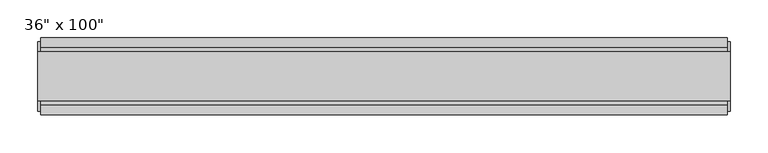
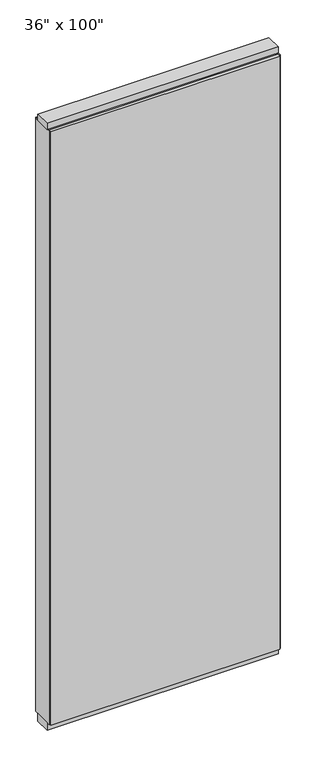
"""IFC4 building model written with IfcOpenShell, lengths in millimetres: furniture geometry."""

import ifcopenshell
import ifcopenshell.guid

model = None  # the IFC model being written
_history = None  # IfcOwnerHistory: only IFC2X3 demands one
_inside = {}  # id of a spatial element -> (the spatial element, [elements in it])
_under = {}  # id of a project, library or spatial element -> (it, [spatial elements below it])
_declared = {}  # id of a project -> (the project, [libraries it declares])
_typed = {}  # id of a type object -> (the type object, [elements of that type])
_made_of = {}  # id of a material, layer set ... -> (it, [elements and type objects made of it])


def new_model(schema):
    """Start an empty IFC model of exactly this schema.

    Asked for "IFC4X3", IfcOpenShell would pick the latest addendum, in which some entities
    have other attributes; the version numbers below select the first issue.
    IFC2X3 requires an IfcOwnerHistory on every rooted entity: one is made here for all.
    """
    global model, _history
    if schema == "IFC4X3":
        model = ifcopenshell.file(schema_version=(4, 3, 0, 0))
    else:
        model = ifcopenshell.file(schema=schema)
    _inside.clear()
    _under.clear()
    _declared.clear()
    _typed.clear()
    _made_of.clear()
    _history = None
    if model.schema == "IFC2X3":
        org = make("IfcOrganization", Name="unknown")
        user = make(
            "IfcPersonAndOrganization",
            ThePerson=make("IfcPerson", FamilyName="unknown"),
            TheOrganization=org,
        )
        app = make(
            "IfcApplication",
            ApplicationDeveloper=org,
            Version="unknown",
            ApplicationFullName="unknown",
            ApplicationIdentifier="unknown",
        )
        _history = make(
            "IfcOwnerHistory",
            OwningUser=user,
            OwningApplication=app,
            ChangeAction="ADDED",
            CreationDate=0,
        )
    return model


def make(cls, **values):
    """One entity of the class cls with the attributes given. An attribute that is None is left unset."""
    return model.create_entity(
        cls, **{name: value for name, value in values.items() if value is not None}
    )


def rooted(cls, **values):
    """An entity with a GlobalId (a new one), such as an element, a storey or a relation."""
    return make(cls, GlobalId=ifcopenshell.guid.new(), OwnerHistory=_history, **values)


def si_unit(unit_type, name, prefix=None):
    """IfcSIUnit, for example si_unit("LENGTHUNIT", "METRE", prefix="MILLI")."""
    return make("IfcSIUnit", UnitType=unit_type, Prefix=prefix, Name=name)


def assignment(units):
    """IfcUnitAssignment: the units of a project."""
    return None if units is None else make("IfcUnitAssignment", Units=units)


def point(xyz):
    """IfcCartesianPoint."""
    return None if xyz is None else make("IfcCartesianPoint", Coordinates=xyz)


def direction(xyz):
    """IfcDirection."""
    return None if xyz is None else make("IfcDirection", DirectionRatios=xyz)


def frame(location, z_axis=None, x_axis=None):
    """IfcAxis2Placement3D, a coordinate frame: its origin and axes. An axis left out is left unset."""
    return make(
        "IfcAxis2Placement3D",
        Location=point(location),
        Axis=direction(z_axis),
        RefDirection=direction(x_axis),
    )


def origin():
    """The frame at (0, 0, 0) with its axes left unset."""
    return frame((0.0, 0.0, 0.0))


def origin_with_axes():
    """The frame at (0, 0, 0) with the z axis (0, 0, 1) and the x axis (1, 0, 0) written out."""
    return frame((0.0, 0.0, 0.0), z_axis=(0.0, 0.0, 1.0), x_axis=(1.0, 0.0, 0.0))


def place(relative_to, where):
    """IfcLocalPlacement: puts the frame where relative to a parent placement (None: the world)."""
    return make(
        "IfcLocalPlacement", PlacementRelTo=relative_to, RelativePlacement=where
    )


def context(
    kind, dimensions, precision=None, world=None, true_north=None, identifier=None
):
    """IfcGeometricRepresentationContext, for example the 3D "Model" context."""
    return make(
        "IfcGeometricRepresentationContext",
        ContextIdentifier=identifier,
        ContextType=kind,
        CoordinateSpaceDimension=dimensions,
        Precision=precision,
        WorldCoordinateSystem=world,
        TrueNorth=true_north,
    )


def project(units=None, contexts=None):
    """IfcProject with its units and contexts."""
    return rooted(
        "IfcProject",
        Name="project",
        RepresentationContexts=contexts,
        UnitsInContext=assignment(units),
    )


def spatial(cls, under=None, at=None, **own):
    """A site, building, storey or space (cls), placed at a placement, below another one or the project."""
    s = rooted(cls, ObjectPlacement=at, **own)
    if under is not None:
        _under.setdefault(under.id(), (under, []))[1].append(s)
    return s


def polyline(points):
    """IfcPolyline through the points."""
    return make("IfcPolyline", Points=[point(p) for p in points])


def outline(outer, holes=None, kind="AREA"):
    """IfcArbitraryClosedProfileDef: a profile drawn as a closed curve; with holes, ...WithVoids."""
    if holes is None:
        return make("IfcArbitraryClosedProfileDef", ProfileType=kind, OuterCurve=outer)
    return make(
        "IfcArbitraryProfileDefWithVoids",
        ProfileType=kind,
        OuterCurve=outer,
        InnerCurves=holes,
    )


def extrude(swept, where, along, depth):
    """IfcExtrudedAreaSolid: the profile swept, set in the frame where, extruded along a direction by depth."""
    return make(
        "IfcExtrudedAreaSolid",
        SweptArea=swept,
        Position=where,
        ExtrudedDirection=direction(along),
        Depth=depth,
    )


def shape(context_of_items, identifier, shape_type, items):
    """IfcShapeRepresentation: the items that make up one representation, for example the "Body"."""
    return make(
        "IfcShapeRepresentation",
        ContextOfItems=context_of_items,
        RepresentationIdentifier=identifier,
        RepresentationType=shape_type,
        Items=items,
    )


def source(mapping_origin, context_of_items, identifier, shape_type, items):
    """IfcRepresentationMap: a shape defined once, which mapped items show again and again."""
    return make(
        "IfcRepresentationMap",
        MappingOrigin=mapping_origin,
        MappedRepresentation=shape(context_of_items, identifier, shape_type, items),
    )


def transform(
    local_origin,
    x_axis=None,
    y_axis=None,
    z_axis=None,
    scale=None,
    scale2=None,
    scale3=None,
    uniform=True,
):
    """IfcCartesianTransformationOperator3D, or its non-uniform kind. x_axis, y_axis, z_axis: its Axis1, 2, 3."""
    if uniform:
        return make(
            "IfcCartesianTransformationOperator3D",
            Axis1=direction(x_axis),
            Axis2=direction(y_axis),
            LocalOrigin=point(local_origin),
            Scale=scale,
            Axis3=direction(z_axis),
        )
    return make(
        "IfcCartesianTransformationOperator3DnonUniform",
        Axis1=direction(x_axis),
        Axis2=direction(y_axis),
        LocalOrigin=point(local_origin),
        Scale=scale,
        Axis3=direction(z_axis),
        Scale2=scale2,
        Scale3=scale3,
    )


def mapped(mapping_source, mapping_target):
    """IfcMappedItem: shows the shape of a source again, moved by a transform."""
    return make(
        "IfcMappedItem", MappingSource=mapping_source, MappingTarget=mapping_target
    )


def made_of(thing, what):
    """Note that an element or type object is made of a material, layer set ...; save() writes the relation."""
    if what is not None:
        _made_of.setdefault(what.id(), (what, []))[1].append(thing)
    return thing


def element(
    cls,
    number,
    at=None,
    inside=None,
    cuts=None,
    type_object=None,
    material=None,
    context=None,
    identifier="Body",
    shape_type=None,
    held_by="IfcProductDefinitionShape",
    body=None,
    shapes=None,
    **own,
):
    """One element of the class cls, such as IfcWall. Its Tag is "e" and its number.

    at: its placement. inside: the storey or other place that contains it. cuts: it is an
    opening in that element (IfcRelVoidsElement). A single representation is given by context,
    identifier, shape_type and body (its items); several are given by shapes. held_by: the class
    of the entity that holds the representations. save() writes the other relations.
    """
    e = rooted(cls, Tag="e%d" % number, ObjectPlacement=at, **own)
    if body is not None:
        shapes = [shape(context, identifier, shape_type, body)]
    if shapes is not None:
        e.Representation = make(held_by, Representations=shapes)
    if inside is not None:
        _inside.setdefault(inside.id(), (inside, []))[1].append(e)
    if cuts is not None:
        rooted(
            "IfcRelVoidsElement", RelatingBuildingElement=cuts, RelatedOpeningElement=e
        )
    if type_object is not None:
        _typed.setdefault(type_object.id(), (type_object, []))[1].append(e)
    return made_of(e, material)


def aggregate(whole, parts):
    """IfcRelAggregates: a whole, such as a stair, and the parts it consists of."""
    return rooted("IfcRelAggregates", RelatingObject=whole, RelatedObjects=parts)


def save(model, path):
    """Write the relations noted so far, then the file.

    IfcRelAggregates (storeys below a building ...), IfcRelContainedInSpatialStructure (elements
    in a storey), IfcRelDefinesByType, IfcRelAssociatesMaterial and IfcRelDeclares: one each for
    every whole, place, type object, material and project.
    """
    for whole, parts in _under.values():
        aggregate(whole, parts)
    for where, things in _inside.values():
        rooted(
            "IfcRelContainedInSpatialStructure",
            RelatedElements=things,
            RelatingStructure=where,
        )
    for kind, things in _typed.values():
        rooted("IfcRelDefinesByType", RelatedObjects=things, RelatingType=kind)
    for what, things in _made_of.values():
        rooted("IfcRelAssociatesMaterial", RelatedObjects=things, RelatingMaterial=what)
    for by, libraries in _declared.values():
        rooted("IfcRelDeclares", RelatingContext=by, RelatedDefinitions=libraries)
    model.write(path)


def furniture_25698fcb(model_context):
    return source(origin(), model_context, "Body", "SweptSolid", [
        extrude(outline(polyline([(393.2264771, -46.2822784), (-513.2995229, -46.2822784), (-513.2995229, -33.5822784), (393.2264771, -33.5822784), (393.2264771, -46.2822784)])), frame((0.0, 0.0, 31.75), z_axis=(0.0, 0.0, 1.0), x_axis=(1.0, 0.0, 0.0)), (0.0, 0.0, 1.0), 2482.85),
        extrude(outline(polyline([(393.2264771, 55.3177216), (393.2264771, 42.6177216), (-513.2995229, 42.6177216), (-513.2995229, 55.3177216), (393.2264771, 55.3177216)])), frame((0.0, 0.0, 31.75), z_axis=(0.0, 0.0, 1.0), x_axis=(1.0, 0.0, 0.0)), (0.0, 0.0, 1.0), 2482.85),
        extrude(outline(polyline([(42.6177216, 2478.278), (37.6647216, 2478.278), (37.6647216, 2473.325), (-28.6292784, 2473.325), (-28.6292784, 2478.278), (-33.5822784, 2478.278), (-33.5822784, 2514.6), (42.6177216, 2514.6), (42.6177216, 2478.278)])), frame((-513.2995229, 0.0, 0.0), z_axis=(1.0, 0.0, 0.0), x_axis=(0.0, 1.0, 0.0)), (0.0, 0.0, 1.0), 906.526),
        extrude(outline(polyline([(397.1634771, -27.9942784), (-517.2365229, -27.9942784), (-517.2365229, 37.0297216), (397.1634771, 37.0297216), (397.1634771, -27.9942784)])), origin_with_axes(), (0.0, 0.0, 1.0), 31.75),
        extrude(outline(polyline([(-517.2365229, 37.0297216), (397.1634771, 37.0297216), (397.1634771, -27.9942784), (-517.2365229, -27.9942784), (-517.2365229, 37.0297216)])), frame((0.0, 0.0, 2514.6), z_axis=(0.0, 0.0, 1.0), x_axis=(1.0, 0.0, 0.0)), (0.0, 0.0, 1.0), 25.4),
        extrude(outline(polyline([(397.1634771, 50.3647216), (397.1634771, -41.3292784), (393.2264771, -41.3292784), (393.2264771, 50.3647216), (397.1634771, 50.3647216)])), frame((0.0, 0.0, 31.75), z_axis=(0.0, 0.0, 1.0), x_axis=(1.0, 0.0, 0.0)), (0.0, 0.0, 1.0), 2482.85),
        extrude(outline(polyline([(-517.2365229, 50.3647216), (-513.2995229, 50.3647216), (-513.2995229, -41.3292784), (-517.2365229, -41.3292784), (-517.2365229, 50.3647216)])), frame((0.0, 0.0, 31.75), z_axis=(0.0, 0.0, 1.0), x_axis=(1.0, 0.0, 0.0)), (0.0, 0.0, 1.0), 2482.85),
    ])


if __name__ == "__main__":
    model = new_model("IFC4")
    model_context = context("Model", 3, world=origin())
    ifc_project = project(units=[si_unit("LENGTHUNIT", "METRE", prefix="MILLI")], contexts=[model_context])
    site = spatial("IfcSite", under=ifc_project)
    building = spatial("IfcBuilding", under=site)
    placement = place(None, origin())
    furniture_shape = furniture_25698fcb(model_context)
    element("IfcFurniture", 1, ObjectType="36\" x 100\"", at=placement, inside=building, context=model_context, shape_type="MappedRepresentation", body=[
        mapped(furniture_shape, transform((0.0, 0.0, 0.0), x_axis=(1.0, 0.0, 0.0), y_axis=(0.0, 1.0, 0.0), z_axis=(0.0, 0.0, 1.0))),
    ])
    save(model, "model.ifc")
